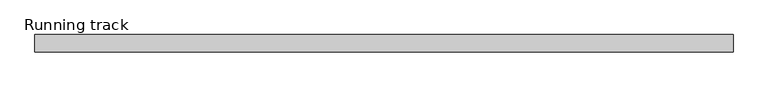
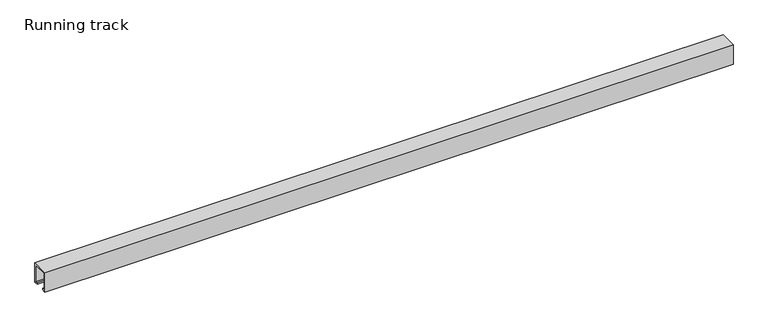
"""IFC4 building model written with IfcOpenShell, lengths in millimetres: proxy geometry, Running track."""

from ifc_helpers import new_model, si_unit, point, frame, frame_2d, origin, origin_with_axes, place, context, project, spatial, polyline, circle_curve, trimmed, segment, composite_curve, outline, extrude, faceted_brep, source, transform, mapped, element, save


def running_track_4930ef51(model_context):
    return source(origin(), model_context, "Body", "SolidModel", [
        extrude(outline(composite_curve([segment(trimmed(circle_curve(frame_2d((0.0, 18.67839)), 6.3335878), [point((-6.3335878, 18.67839))], [point((6.3335878, 18.67839))], False, "CARTESIAN"), True, "CONTINUOUS"), segment(trimmed(circle_curve(frame_2d((0.0, 18.67839)), 6.3335878), [point((6.3335878, 18.67839))], [point((-6.3335878, 18.67839))], False, "CARTESIAN"), True, "CONTINUOUS")], self_intersect=False)), frame((1268.0, 0.0, 0.0), z_axis=(1.0, 0.0, 0.0), x_axis=(0.0, 1.0, 0.0)), (0.0, 0.0, 1.0), 4.0),
        faceted_brep([(1314.5, -14.5, 36.5), (1272.0, -14.5, 36.5), (1272.0, -14.5, 3.0), (1314.5, -14.5, 3.0), (1314.5, 14.5, 36.5), (1314.5, 14.5, 3.0), (1272.0, 14.5, 3.0), (1272.0, 14.5, 36.5), (1272.0, 12.531559, 36.5), (1311.9235205, 12.531559, 36.5), (1311.9235205, -12.5, 36.5), (1272.0, -12.5, 36.5), (1272.0, -12.5, 25.3706125), (1272.0, 12.531559, 25.3706125), (1311.9235205, -12.5, 25.3706125), (1311.9235205, 12.531559, 25.3706125)], [[[0, 1, 2, 3]], [[4, 5, 6, 7]], [[1, 0, 4, 7, 8, 9, 10, 11]], [[2, 1, 11, 12, 13, 8, 7, 6]], [[3, 2, 6, 5]], [[0, 3, 5, 4]], [[14, 12, 11, 10]], [[15, 9, 8, 13]], [[15, 14, 10, 9]], [[14, 15, 13, 12]]]),
        extrude(outline(polyline([(1314.5, -12.5), (1270.0024224, -12.5), (1270.0024224, 12.531559), (1314.5, 12.531559), (1314.5, -12.5)])), origin_with_axes(), (0.0, 0.0, 1.0), 3.0),
        extrude(outline(polyline([(36.5, 1257.1109747), (36.5, 1233.4983788), (33.2695661, 1233.4983788), (33.2695661, 1235.332539), (24.3170527, 1310.6793739), (32.9021554, 1310.6793739), (36.5, 1257.1109747)])), frame((0.0, -12.5, 0.0), z_axis=(0.0, 1.0, 0.0), x_axis=(0.0, 0.0, 1.0)), (0.0, 0.0, 1.0), 25.031559),
        extrude(outline(polyline([(17.0, 40.0), (17.0, 0.0), (9.0, 0.0), (9.0, 3.0), (14.0, 3.0), (14.0, 37.0), (-14.0, 37.0), (-14.0, 3.0), (-9.0, 3.0), (-9.0, 0.0), (-17.0, 0.0), (-17.0, 40.0), (17.0, 40.0)])), frame((0.0, 0.0, 0.0), z_axis=(1.0, 0.0, 0.0), x_axis=(0.0, 1.0, 0.0)), (0.0, 0.0, 1.0), 1350.0),
    ])


if __name__ == "__main__":
    model = new_model("IFC4")
    model_context = context("Model", 3, world=origin())
    ifc_project = project(units=[si_unit("LENGTHUNIT", "METRE", prefix="MILLI")], contexts=[model_context])
    site = spatial("IfcSite", under=ifc_project)
    building = spatial("IfcBuilding", under=site)
    placement = place(None, origin())
    running_track_shape = running_track_4930ef51(model_context)
    element("IfcBuildingElementProxy", 1, Name="Running track", ObjectType="Running track", at=placement, inside=building, context=model_context, shape_type="MappedRepresentation", body=[
        mapped(running_track_shape, transform((0.0, 0.0, 0.0), x_axis=(1.0, 0.0, 0.0), y_axis=(0.0, 1.0, 0.0), z_axis=(0.0, 0.0, 1.0))),
    ])
    save(model, "model.ifc")
